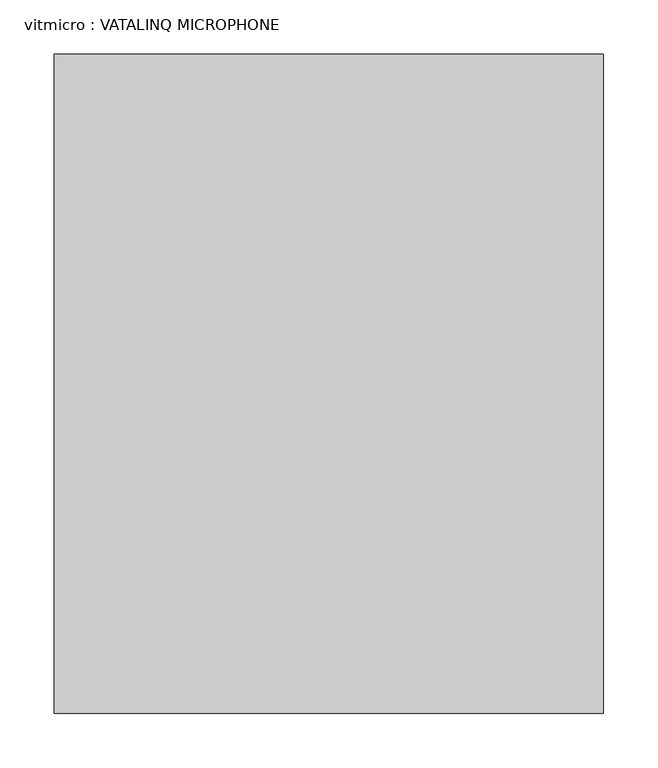
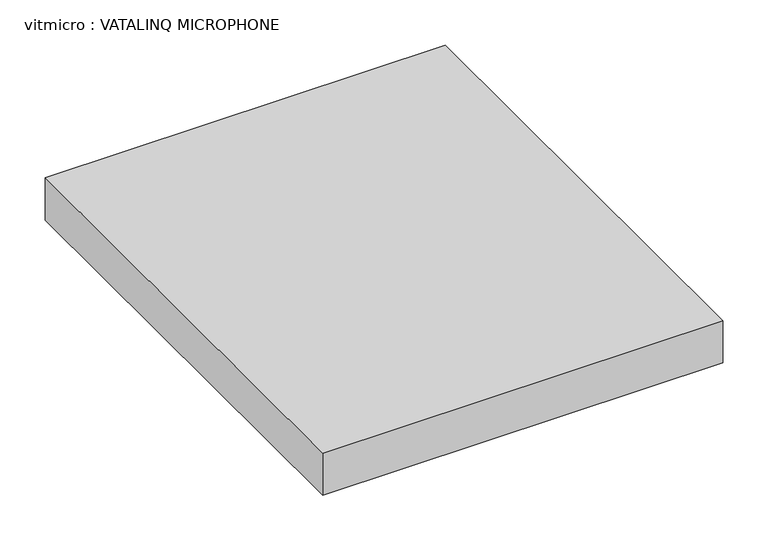
"""IFC4 building model written with IfcOpenShell, lengths in millimetres: proxy geometry, vitmicro : VATALINQ MICROPHONE."""

from ifc_helpers import new_model, si_unit, frame, origin, place, context, project, spatial, polyline, outline, extrude, source, transform, mapped, element, save


def vitmicro_vatalinq_microphone_de84ded5(model_context):
    return source(origin(), model_context, "Body", "SweptSolid", [
        extrude(outline(polyline([(433.3693622, -183.158205), (433.3693622, -792.758205), (-74.6306378, -792.758205), (-74.6306378, -183.158205), (433.3693622, -183.158205)])), frame((0.0, 0.0, 3048.0), z_axis=(0.0, 0.0, 1.0), x_axis=(1.0, 0.0, 0.0)), (0.0, 0.0, 1.0), 56.6426964),
    ])


if __name__ == "__main__":
    model = new_model("IFC4")
    model_context = context("Model", 3, world=origin())
    ifc_project = project(units=[si_unit("LENGTHUNIT", "METRE", prefix="MILLI")], contexts=[model_context])
    site = spatial("IfcSite", under=ifc_project)
    building = spatial("IfcBuilding", under=site)
    placement = place(None, origin())
    vitmicro_vatalinq_microphone_shape = vitmicro_vatalinq_microphone_de84ded5(model_context)
    element("IfcBuildingElementProxy", 1, Name="vitmicro : VATALINQ MICROPHONE", ObjectType="vitmicro : VATALINQ MICROPHONE", at=placement, inside=building, context=model_context, shape_type="MappedRepresentation", body=[
        mapped(vitmicro_vatalinq_microphone_shape, transform((0.0, 0.0, 0.0), x_axis=(1.0, 0.0, 0.0), y_axis=(0.0, 1.0, 0.0), z_axis=(0.0, 0.0, 1.0))),
    ])
    save(model, "model.ifc")
